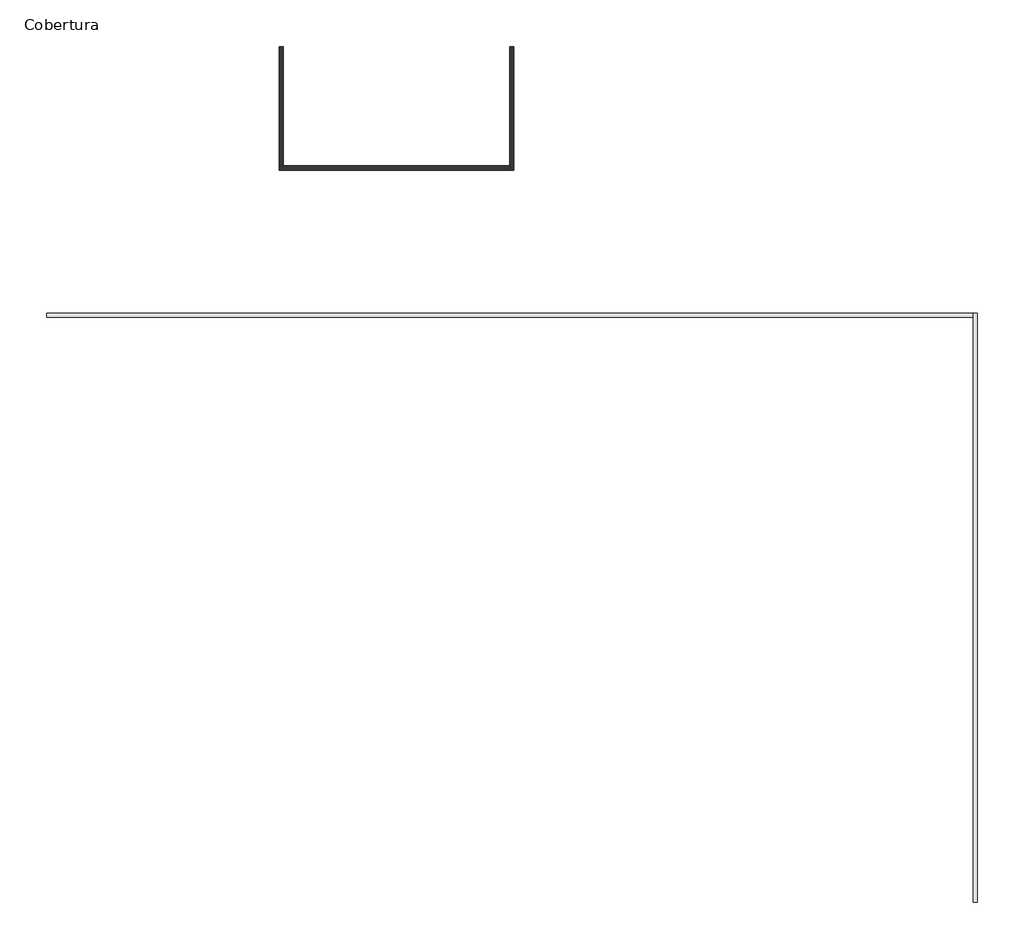
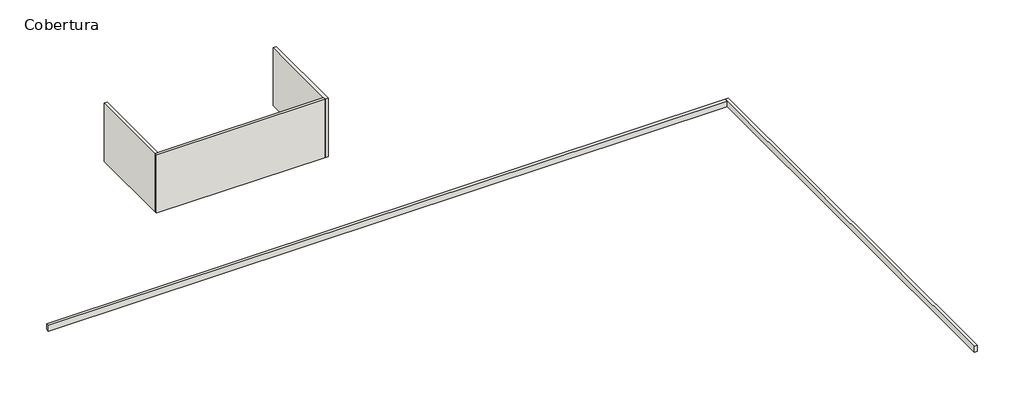
# One storey, part 2 of 3: 5 walls.
"""IFC4 building model written with IfcOpenShell, lengths in millimetres."""

from ifc_helpers import new_model, si_unit, frame, origin, place, context, project, spatial, polyline, outline, extrude, faceted_brep, element, save

model = new_model("IFC4")

# Units and contexts
model_context = context("Model", 3, world=origin())
ifc_project = project(units=[si_unit("LENGTHUNIT", "METRE", prefix="MILLI")], contexts=[model_context])

# Site, building, storey
site = spatial("IfcSite", under=ifc_project)
building = spatial("IfcBuilding", under=site)
storey = spatial("IfcBuildingStorey", under=building, Name="Cobertura", Elevation=22000.0)

# Walls
placement = place(None, origin())
element("IfcWall", 1, ObjectType="Tijolo 20", at=placement, inside=storey, context=model_context, shape_type="Brep", body=[
    faceted_brep([(31547.6359883, -6332.6561793, 22000.0), (31547.6359883, 21767.3438207, 22000.0), (31547.6359883, 21767.3438207, 22400.0), (31547.6359883, -6332.6561793, 22400.0), (31347.6359883, -6332.6561793, 22000.0), (31347.6359883, -6332.6561793, 22400.0), (31347.6359883, 21567.3438207, 22400.0), (31347.6359883, 21767.3438207, 22400.0), (31347.6359883, 21767.3438207, 22000.0), (31347.6359883, 21567.3438207, 22000.0)], [[[0, 1, 2, 3]], [[4, 5, 6, 7, 8, 9]], [[1, 0, 4, 9, 8]], [[3, 2, 7, 6, 5]], [[0, 3, 5, 4]], [[2, 1, 8, 7]]]),
])
element("IfcWall", 2, ObjectType="Tijolo 20", at=placement, inside=storey, context=model_context, shape_type="Brep", body=[
    faceted_brep([(31347.6359883, 21767.3438207, 22000.0), (-12852.3640117, 21767.3438207, 22000.0), (-12852.3640117, 21767.3438207, 22400.0), (31347.6359883, 21767.3438207, 22400.0), (31347.6359883, 21567.3438207, 22000.0), (31347.6359883, 21567.3438207, 22400.0), (-12652.3640117, 21567.3438207, 22400.0), (-12852.3640117, 21567.3438207, 22400.0), (-12852.3640117, 21567.3438207, 22000.0), (-12652.3640117, 21567.3438207, 22000.0)], [[[0, 1, 2, 3]], [[4, 5, 6, 7, 8, 9]], [[1, 0, 4, 9, 8]], [[3, 2, 7, 6, 5]], [[0, 3, 5, 4]], [[2, 1, 8, 7]]]),
])
element("IfcWall", 3, ObjectType="Tijolo 20", at=placement, inside=storey, context=model_context, shape_type="Brep", body=[
    faceted_brep([(9237.6359883, 34482.429968, 22000.0), (9237.6359883, 28792.3438207, 22000.0), (9237.6359883, 28592.3438207, 22000.0), (9237.6359883, 28592.3438207, 26000.0), (9237.6359883, 28792.3438207, 26000.0), (9237.6359883, 34482.429968, 26000.0), (9437.6359883, 34482.429968, 22000.0), (9437.6359883, 34482.429968, 26000.0), (9437.6359883, 28592.3438207, 26000.0), (9437.6359883, 28592.3438207, 22000.0)], [[[0, 1, 2, 3, 4, 5]], [[6, 7, 8, 9]], [[2, 1, 0, 6, 9]], [[5, 4, 3, 8, 7]], [[0, 5, 7, 6]], [[3, 2, 9, 8]]]),
])
element("IfcWall", 4, ObjectType="Tijolo 20", at=placement, inside=storey, context=model_context, shape_type="Brep", body=[
    faceted_brep([(9237.6359883, 28792.3438207, 22000.0), (-1562.3640117, 28792.3438207, 22000.0), (-1762.3640117, 28792.3438207, 22000.0), (-1762.3640117, 28792.3438207, 26000.0), (-1562.3640117, 28792.3438207, 26000.0), (9237.6359883, 28792.3438207, 26000.0), (9237.6359883, 28592.3438207, 22000.0), (9237.6359883, 28592.3438207, 26000.0), (-1762.3640117, 28592.3438207, 26000.0), (-1762.3640117, 28592.3438207, 22000.0)], [[[0, 1, 2, 3, 4, 5]], [[6, 7, 8, 9]], [[2, 1, 0, 6, 9]], [[5, 4, 3, 8, 7]], [[0, 5, 7, 6]], [[3, 2, 9, 8]]]),
])
element("IfcWall", 5, ObjectType="Tijolo 20", at=placement, inside=storey, context=model_context, shape_type="SweptSolid", body=[
    extrude(outline(polyline([(-1562.3640117, 34482.429968), (-1562.3640117, 28792.3438207), (-1762.3640117, 28792.3438207), (-1762.3640117, 34482.429968), (-1562.3640117, 34482.429968)])), frame((0.0, 0.0, 22000.0), z_axis=(0.0, 0.0, 1.0), x_axis=(1.0, 0.0, 0.0)), (0.0, 0.0, 1.0), 4000.0),
])

save(model, "model.ifc")
